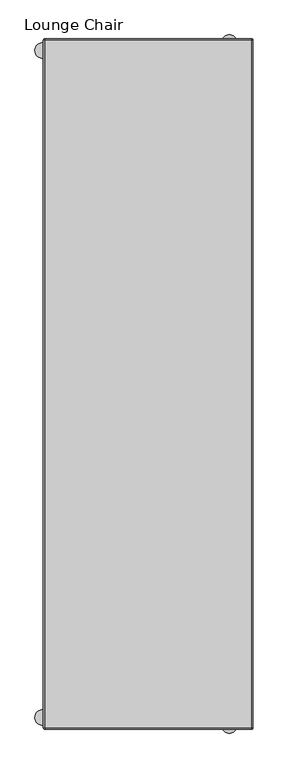
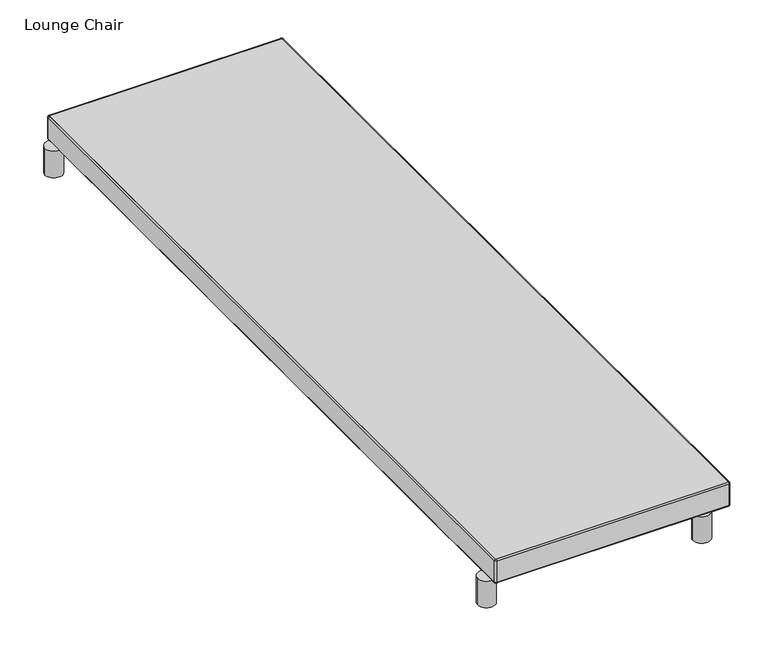
"""IFC4 building model written with IfcOpenShell, lengths in millimetres: furniture geometry, Lounge Chair."""

from ifc_helpers import new_model, si_unit, point, frame, frame_2d, origin, origin_with_axes, place, context, project, spatial, polyline, circle_curve, ellipse_curve, trimmed, segment, composite_curve, outline, extrude, source, transform, mapped, element, save
from ifc_brep_helpers import plane_surface, cylinder_surface, revolved_surface, advanced_brep


def lounge_chair_1dbbf9f6(model_context):
    return source(origin(), model_context, "Body", "SolidModel", [
        advanced_brep(
        [(381.6350121, -1120.6249637, 145.9935673), (381.6350121, -1120.6249637, 81.2235613), (381.6350121, 1120.6249637, 81.2235613), (381.6350121, 1120.6249637, 145.9935673), (376.5550121, 1125.7049637, 81.2235613), (376.5550121, 1125.7049637, 145.9935673), (-297.1800061, 1125.7049637, 81.2235613), (-297.1800061, 1125.7049637, 145.9935673), (-302.2600061, 1120.6249637, 81.2235613), (-302.2600061, 1120.6249637, 145.9935673), (-302.2600061, -1120.6249637, 81.2235613), (-302.2600061, -1120.6249637, 145.9935673), (-297.1800061, -1125.7049637, 81.2235613), (-297.1800061, -1125.7049637, 145.9935673), (376.5550121, -1125.7049637, 81.2235613), (376.5550121, -1125.7049637, 145.9935673), (376.5550121, -1125.0699879, 145.9935673), (376.5550121, -1125.0699879, 81.2235613), (-297.1800061, -1125.0699879, 81.2235613), (-297.1800061, -1125.0699879, 145.9935673), (-298.4500061, -1123.7999879, 81.2235613), (-298.4500061, -1123.7999879, 145.9935673), (-298.4500061, -1120.6249637, 81.2235613), (-298.4500061, -1120.6249637, 77.4135613), (-298.4500061, 1120.6249637, 77.4135613), (-298.4500061, 1120.6249637, 81.2235613), (-298.4500061, 1120.6249637, 145.9935673), (-298.4500061, 1120.6249637, 149.8035673), (-298.4500061, -1120.6249637, 149.8035673), (-298.4500061, -1120.6249637, 145.9935673), (-297.1800061, 1121.8949637, 81.2235613), (-297.1800061, 1121.8949637, 145.9935673), (-297.1800061, 1121.8949637, 77.4135613), (376.5550121, 1121.8949637, 77.4135613), (376.5550121, 1121.8949637, 81.2235613), (376.5550121, 1121.8949637, 145.9935673), (376.5550121, 1121.8949637, 149.8035673), (-297.1800061, 1121.8949637, 149.8035673), (377.8250121, 1120.6249637, 81.2235613), (377.8250121, 1120.6249637, 145.9935673), (377.8250121, 1120.6249637, 77.4135613), (377.8250121, -1120.6249637, 77.4135613), (377.8250121, -1120.6249637, 81.2235613), (377.8250121, -1123.7999879, 81.2235613), (377.8250121, -1123.7999879, 145.9935673), (377.8250121, -1120.6249637, 145.9935673), (377.8250121, -1120.6249637, 149.8035673), (377.8250121, 1120.6249637, 149.8035673), (-297.1800061, -1121.8949637, 149.8035673), (-297.1800061, -1121.8949637, 145.9935673), (-297.1800061, -1121.8949637, 81.2235613), (-297.1800061, -1121.8949637, 77.4135613), (376.5550121, -1121.8949637, 149.8035673), (376.5550121, -1121.8949637, 145.9935673), (376.5550121, -1121.8949637, 81.2235613), (376.5550121, -1121.8949637, 77.4135613)],
        [
            (0, 1),
            (1, 2),
            (2, 3),
            (3, 0),
            (2, 4, circle_curve(frame((376.5550121, 1120.6249637, 81.2235613), z_axis=(0.0, 0.0, 1.0), x_axis=(0.0, -1.0, 0.0)), 5.08)),
            (4, 5),
            (5, 3, circle_curve(frame((376.5550121, 1120.6249637, 145.9935673), z_axis=(0.0, 0.0, -1.0), x_axis=(0.0, -1.0, 0.0)), 5.08)),
            (4, 6),
            (6, 7),
            (7, 5),
            (6, 8, circle_curve(frame((-297.1800061, 1120.6249637, 81.2235613), z_axis=(0.0, 0.0, 1.0), x_axis=(0.0, -1.0, 0.0)), 5.08)),
            (8, 9),
            (9, 7, circle_curve(frame((-297.1800061, 1120.6249637, 145.9935673), z_axis=(0.0, 0.0, -1.0), x_axis=(0.0, -1.0, 0.0)), 5.08)),
            (8, 10),
            (10, 11),
            (11, 9),
            (10, 12, circle_curve(frame((-297.1800061, -1120.6249637, 81.2235613), z_axis=(0.0, 0.0, 1.0), x_axis=(0.0, -1.0, 0.0)), 5.08)),
            (12, 13),
            (13, 11, circle_curve(frame((-297.1800061, -1120.6249637, 145.9935673), z_axis=(0.0, 0.0, -1.0), x_axis=(0.0, -1.0, 0.0)), 5.08)),
            (12, 14),
            (14, 15),
            (15, 13),
            (0, 15, circle_curve(frame((376.5550121, -1120.6249637, 145.9935673), z_axis=(0.0, 0.0, -1.0), x_axis=(0.0, -1.0, 0.0)), 5.08)),
            (14, 1, circle_curve(frame((376.5550121, -1120.6249637, 81.2235613), z_axis=(0.0, 0.0, 1.0), x_axis=(0.0, -1.0, 0.0)), 5.08)),
            (16, 17),
            (17, 18),
            (18, 19),
            (19, 16),
            (18, 20, circle_curve(frame((-297.1800061, -1123.7999879, 81.2235613), z_axis=(0.0, 0.0, -1.0), x_axis=(0.0, -1.0, 0.0)), 1.27)),
            (20, 21),
            (21, 19, circle_curve(frame((-297.1800061, -1123.7999879, 145.9935673), z_axis=(0.0, 0.0, 1.0), x_axis=(0.0, -1.0, 0.0)), 1.27)),
            (20, 22),
            (22, 23),
            (23, 24),
            (24, 25),
            (25, 26),
            (26, 27),
            (27, 28),
            (28, 29),
            (29, 21),
            (25, 30, circle_curve(frame((-297.1800061, 1120.6249637, 81.2235613), z_axis=(0.0, 0.0, -1.0), x_axis=(0.0, -1.0, 0.0)), 1.27)),
            (30, 31),
            (31, 26, circle_curve(frame((-297.1800061, 1120.6249637, 145.9935673), z_axis=(0.0, 0.0, 1.0), x_axis=(0.0, -1.0, 0.0)), 1.27)),
            (30, 32),
            (32, 33),
            (33, 34),
            (34, 35),
            (35, 36),
            (36, 37),
            (37, 31),
            (34, 38, circle_curve(frame((376.5550121, 1120.6249637, 81.2235613), z_axis=(0.0, 0.0, -1.0), x_axis=(0.0, -1.0, 0.0)), 1.27)),
            (38, 39),
            (39, 35, circle_curve(frame((376.5550121, 1120.6249637, 145.9935673), z_axis=(0.0, 0.0, 1.0), x_axis=(0.0, -1.0, 0.0)), 1.27)),
            (38, 40),
            (40, 41),
            (41, 42),
            (42, 43),
            (43, 44),
            (44, 45),
            (45, 46),
            (46, 47),
            (47, 39),
            (16, 44, circle_curve(frame((376.5550121, -1123.7999879, 145.9935673), z_axis=(0.0, 0.0, 1.0), x_axis=(0.0, -1.0, 0.0)), 1.27)),
            (43, 17, circle_curve(frame((376.5550121, -1123.7999879, 81.2235613), z_axis=(0.0, 0.0, -1.0), x_axis=(0.0, -1.0, 0.0)), 1.27)),
            (46, 0, circle_curve(frame((377.8250121, -1120.6249637, 145.9935673), z_axis=(0.0, 1.0, 0.0), x_axis=(-1.0, 0.0, 0.0)), 3.81)),
            (3, 47, circle_curve(frame((377.8250121, 1120.6249637, 145.9935673), z_axis=(0.0, -1.0, 0.0), x_axis=(-1.0, 0.0, 0.0)), 3.81)),
            (40, 2, circle_curve(frame((377.8250121, 1120.6249637, 81.2235613), z_axis=(0.0, -1.0, 0.0), x_axis=(-1.0, 0.0, 0.0)), 3.81)),
            (1, 41, circle_curve(frame((377.8250121, -1120.6249637, 81.2235613), z_axis=(0.0, 1.0, 0.0), x_axis=(-1.0, 0.0, 0.0)), 3.81)),
            (36, 5, circle_curve(frame((376.5550121, 1121.8949637, 145.9935673), z_axis=(-1.0, 0.0, 0.0), x_axis=(0.0, -1.0, 0.0)), 3.81)),
            (7, 37, circle_curve(frame((-297.1800061, 1121.8949637, 145.9935673), z_axis=(1.0, 0.0, 0.0), x_axis=(0.0, -1.0, 0.0)), 3.81)),
            (32, 6, circle_curve(frame((-297.1800061, 1121.8949637, 81.2235613), z_axis=(1.0, 0.0, 0.0), x_axis=(0.0, -1.0, 0.0)), 3.81)),
            (4, 33, circle_curve(frame((376.5550121, 1121.8949637, 81.2235613), z_axis=(-1.0, 0.0, 0.0), x_axis=(0.0, -1.0, 0.0)), 3.81)),
            (27, 9, circle_curve(frame((-298.4500061, 1120.6249637, 145.9935673), z_axis=(0.0, -1.0, 0.0), x_axis=(1.0, 0.0, 0.0)), 3.81)),
            (11, 28, circle_curve(frame((-298.4500061, -1120.6249637, 145.9935673), z_axis=(0.0, 1.0, 0.0), x_axis=(1.0, 0.0, 0.0)), 3.81)),
            (23, 10, circle_curve(frame((-298.4500061, -1120.6249637, 81.2235613), z_axis=(0.0, 1.0, 0.0), x_axis=(1.0, 0.0, 0.0)), 3.81)),
            (8, 24, circle_curve(frame((-298.4500061, 1120.6249637, 81.2235613), z_axis=(0.0, -1.0, 0.0), x_axis=(1.0, 0.0, 0.0)), 3.81)),
            (36, 47, circle_curve(frame((376.5550121, 1120.6249637, 149.8035673), z_axis=(0.0, 0.0, -1.0), x_axis=(1.0, 0.0, 0.0)), 1.27)),
            (33, 40, circle_curve(frame((376.5550121, 1120.6249637, 77.4135613), z_axis=(0.0, 0.0, -1.0), x_axis=(1.0, 0.0, 0.0)), 1.27)),
            (27, 37, circle_curve(frame((-297.1800061, 1120.6249637, 149.8035673), z_axis=(0.0, 0.0, -1.0), x_axis=(0.0, 1.0, 0.0)), 1.27)),
            (24, 32, circle_curve(frame((-297.1800061, 1120.6249637, 77.4135613), z_axis=(0.0, 0.0, -1.0), x_axis=(0.0, 1.0, 0.0)), 1.27)),
            (13, 48, circle_curve(frame((-297.1800061, -1121.8949637, 145.9935673), z_axis=(-1.0, 0.0, 0.0), x_axis=(0.0, 1.0, 0.0)), 3.81)),
            (48, 28, circle_curve(frame((-297.1800061, -1120.6249637, 149.8035673), z_axis=(0.0, 0.0, -1.0), x_axis=(-1.0, 0.0, 0.0)), 1.27)),
            (48, 49),
            (49, 29, circle_curve(frame((-297.1800061, -1120.6249637, 145.9935673), z_axis=(0.0, 0.0, -1.0), x_axis=(-1.0, 0.0, 0.0)), 1.27)),
            (22, 50, circle_curve(frame((-297.1800061, -1120.6249637, 81.2235613), z_axis=(0.0, 0.0, 1.0), x_axis=(-1.0, 0.0, 0.0)), 1.27)),
            (50, 51),
            (51, 23, circle_curve(frame((-297.1800061, -1120.6249637, 77.4135613), z_axis=(0.0, 0.0, -1.0), x_axis=(-1.0, 0.0, 0.0)), 1.27)),
            (51, 12, circle_curve(frame((-297.1800061, -1121.8949637, 81.2235613), z_axis=(-1.0, 0.0, 0.0), x_axis=(0.0, 1.0, 0.0)), 3.81)),
            (15, 52, circle_curve(frame((376.5550121, -1121.8949637, 145.9935673), z_axis=(-1.0, 0.0, 0.0), x_axis=(0.0, 1.0, 0.0)), 3.81)),
            (52, 48),
            (52, 53),
            (53, 49),
            (50, 54),
            (54, 55),
            (55, 51),
            (55, 14, circle_curve(frame((376.5550121, -1121.8949637, 81.2235613), z_axis=(-1.0, 0.0, 0.0), x_axis=(0.0, 1.0, 0.0)), 3.81)),
            (53, 45, circle_curve(frame((376.5550121, -1120.6249637, 145.9935673), z_axis=(0.0, 0.0, 1.0), x_axis=(0.0, -1.0, 0.0)), 1.27)),
            (46, 52, circle_curve(frame((376.5550121, -1120.6249637, 149.8035673), z_axis=(0.0, 0.0, -1.0), x_axis=(0.0, -1.0, 0.0)), 1.27)),
            (41, 55, circle_curve(frame((376.5550121, -1120.6249637, 77.4135613), z_axis=(0.0, 0.0, -1.0), x_axis=(0.0, -1.0, 0.0)), 1.27)),
            (54, 42, circle_curve(frame((376.5550121, -1120.6249637, 81.2235613), z_axis=(0.0, 0.0, 1.0), x_axis=(0.0, -1.0, 0.0)), 1.27)),
        ],
        [
            plane_surface(frame((381.6350121, -1120.6249637, 145.9935673), z_axis=(1.0, 0.0, 0.0), x_axis=(0.0, 0.0, -1.0))),
            cylinder_surface(frame((376.5550121, 1120.6249637, 81.2235613), z_axis=(0.0, 0.0, 1.0), x_axis=(0.0, -1.0, 0.0)), 5.08),
            plane_surface(frame((376.5550121, 1125.7049637, 145.9935673), z_axis=(0.0, 1.0, 0.0), x_axis=(0.0, 0.0, -1.0))),
            cylinder_surface(frame((-297.1800061, 1120.6249637, 81.2235613), z_axis=(0.0, 0.0, 1.0), x_axis=(0.0, -1.0, 0.0)), 5.08),
            plane_surface(frame((-302.2600061, 1120.6249637, 145.9935673), z_axis=(-1.0, 0.0, 0.0), x_axis=(0.0, 0.0, -1.0))),
            cylinder_surface(frame((-297.1800061, -1120.6249637, 81.2235613), z_axis=(0.0, 0.0, 1.0), x_axis=(0.0, -1.0, 0.0)), 5.08),
            plane_surface(frame((-297.1800061, -1125.7049637, 145.9935673), z_axis=(0.0, -1.0, 0.0), x_axis=(0.0, 0.0, -1.0))),
            cylinder_surface(frame((376.5550121, -1120.6249637, 81.2235613), z_axis=(0.0, 0.0, 1.0), x_axis=(0.0, -1.0, 0.0)), 5.08),
            plane_surface(frame((376.5550121, -1125.0699879, 145.9935673), z_axis=(0.0, 1.0, 0.0), x_axis=(0.0, 0.0, -1.0))),
            revolved_surface(polyline([(-297.1800061, -1125.0699879, 81.2235613), (-297.1800061, -1125.0699879, 145.9935673)]), (-297.1800061, -1123.7999879, 81.2235613), (0.0, 0.0, -1.0)),
            plane_surface(frame((-298.4500061, -1123.7999879, 145.9935673), z_axis=(1.0, 0.0, 0.0), x_axis=(0.0, 0.0, -1.0))),
            revolved_surface(polyline([(-297.1800061, 1119.3549637, 81.2235613), (-297.1800061, 1119.3549637, 145.9935673)]), (-297.1800061, 1120.6249637, 81.2235613), (0.0, 0.0, -1.0)),
            plane_surface(frame((-297.1800061, 1121.8949637, 145.9935673), z_axis=(0.0, -1.0, 0.0), x_axis=(0.0, 0.0, -1.0))),
            revolved_surface(polyline([(376.5550121, 1119.3549637, 81.2235613), (376.5550121, 1119.3549637, 145.9935673)]), (376.5550121, 1120.6249637, 81.2235613), (0.0, 0.0, -1.0)),
            plane_surface(frame((377.8250121, 1120.6249637, 145.9935673), z_axis=(-1.0, 0.0, 0.0), x_axis=(0.0, 0.0, -1.0))),
            revolved_surface(polyline([(376.5550121, -1125.0699879, 81.2235613), (376.5550121, -1125.0699879, 145.9935673)]), (376.5550121, -1123.7999879, 81.2235613), (0.0, 0.0, -1.0)),
            cylinder_surface(frame((377.8250121, -1120.6249637, 145.9935673), z_axis=(0.0, -1.0, 0.0), x_axis=(-1.0, 0.0, 0.0)), 3.81),
            cylinder_surface(frame((377.8250121, -1120.6249637, 81.2235613), z_axis=(0.0, -1.0, 0.0), x_axis=(-1.0, 0.0, 0.0)), 3.81),
            cylinder_surface(frame((376.5550121, 1121.8949637, 145.9935673), z_axis=(1.0, 0.0, 0.0), x_axis=(0.0, -1.0, 0.0)), 3.81),
            cylinder_surface(frame((376.5550121, 1121.8949637, 81.2235613), z_axis=(1.0, 0.0, 0.0), x_axis=(0.0, -1.0, 0.0)), 3.81),
            cylinder_surface(frame((-298.4500061, 1120.6249637, 145.9935673), z_axis=(0.0, 1.0, 0.0), x_axis=(1.0, 0.0, 0.0)), 3.81),
            cylinder_surface(frame((-298.4500061, 1120.6249637, 81.2235613), z_axis=(0.0, 1.0, 0.0), x_axis=(1.0, 0.0, 0.0)), 3.81),
            revolved_surface(trimmed(ellipse_curve(frame((377.8250121, 1120.6249637, 145.9935673), z_axis=(0.0, -1.0, 0.0), x_axis=(-1.0, 0.0, 0.0)), 3.81, 3.81), [point((381.6350121, 1120.6249637, 145.9935673))], [point((377.8250121, 1120.6249637, 149.8035673))], True, "CARTESIAN"), (376.5550121, 1120.6249637, 148.5335673), (0.0, 0.0, 1.0)),
            revolved_surface(polyline([(377.8250121, 1120.6249637, 149.8035673), (377.8250121, 1120.6249637, 145.9935673)]), (376.5550121, 1120.6249637, 148.5335673), (0.0, 0.0, 1.0)),
            revolved_surface(polyline([(377.8250121, 1120.6249637, 81.2235613), (377.8250121, 1120.6249637, 77.4135613)]), (376.5550121, 1120.6249637, 148.5335673), (0.0, 0.0, 1.0)),
            revolved_surface(trimmed(ellipse_curve(frame((377.8250121, 1120.6249637, 81.2235613), z_axis=(0.0, -1.0, 0.0), x_axis=(-1.0, 0.0, 0.0)), 3.81, 3.81), [point((377.8250121, 1120.6249637, 77.4135613))], [point((381.6350121, 1120.6249637, 81.2235613))], True, "CARTESIAN"), (376.5550121, 1120.6249637, 148.5335673), (0.0, 0.0, 1.0)),
            revolved_surface(trimmed(ellipse_curve(frame((-297.1800061, 1121.8949637, 145.9935673), z_axis=(1.0, 0.0, 0.0), x_axis=(0.0, -1.0, 0.0)), 3.81, 3.81), [point((-297.1800061, 1125.7049637, 145.9935673))], [point((-297.1800061, 1121.8949637, 149.8035673))], True, "CARTESIAN"), (-297.1800061, 1120.6249637, 148.5335673), (0.0, 0.0, 1.0)),
            revolved_surface(polyline([(-297.1800061, 1121.8949637, 149.8035673), (-297.1800061, 1121.8949637, 145.9935673)]), (-297.1800061, 1120.6249637, 148.5335673), (0.0, 0.0, 1.0)),
            revolved_surface(polyline([(-297.1800061, 1121.8949637, 81.2235613), (-297.1800061, 1121.8949637, 77.4135613)]), (-297.1800061, 1120.6249637, 148.5335673), (0.0, 0.0, 1.0)),
            revolved_surface(trimmed(ellipse_curve(frame((-297.1800061, 1121.8949637, 81.2235613), z_axis=(1.0, 0.0, 0.0), x_axis=(0.0, -1.0, 0.0)), 3.81, 3.81), [point((-297.1800061, 1121.8949637, 77.4135613))], [point((-297.1800061, 1125.7049637, 81.2235613))], True, "CARTESIAN"), (-297.1800061, 1120.6249637, 148.5335673), (0.0, 0.0, 1.0)),
            revolved_surface(trimmed(ellipse_curve(frame((-298.4500061, -1120.6249637, 145.9935673), z_axis=(0.0, 1.0, 0.0), x_axis=(1.0, 0.0, 0.0)), 3.81, 3.81), [point((-302.2600061, -1120.6249637, 145.9935673))], [point((-298.4500061, -1120.6249637, 149.8035673))], True, "CARTESIAN"), (-297.1800061, -1120.6249637, 148.5335673), (0.0, 0.0, 1.0)),
            revolved_surface(polyline([(-298.4500061, -1120.6249637, 149.8035673), (-298.4500061, -1120.6249637, 145.9935673)]), (-297.1800061, -1120.6249637, 148.5335673), (0.0, 0.0, 1.0)),
            revolved_surface(polyline([(-298.4500061, -1120.6249637, 81.2235613), (-298.4500061, -1120.6249637, 77.4135613)]), (-297.1800061, -1120.6249637, 148.5335673), (0.0, 0.0, 1.0)),
            revolved_surface(trimmed(ellipse_curve(frame((-298.4500061, -1120.6249637, 81.2235613), z_axis=(0.0, 1.0, 0.0), x_axis=(1.0, 0.0, 0.0)), 3.81, 3.81), [point((-298.4500061, -1120.6249637, 77.4135613))], [point((-302.2600061, -1120.6249637, 81.2235613))], True, "CARTESIAN"), (-297.1800061, -1120.6249637, 148.5335673), (0.0, 0.0, 1.0)),
            cylinder_surface(frame((-297.1800061, -1121.8949637, 145.9935673), z_axis=(-1.0, 0.0, 0.0), x_axis=(0.0, 1.0, 0.0)), 3.81),
            plane_surface(frame((-297.1800061, -1121.8949637, 149.8035673), z_axis=(0.0, 1.0, 0.0), x_axis=(1.0, 0.0, 0.0))),
            plane_surface(frame((-297.1800061, -1121.8949637, 81.2235613), z_axis=(0.0, 1.0, 0.0), x_axis=(1.0, 0.0, 0.0))),
            cylinder_surface(frame((-297.1800061, -1121.8949637, 81.2235613), z_axis=(-1.0, 0.0, 0.0), x_axis=(0.0, 1.0, 0.0)), 3.81),
            plane_surface(frame((376.5550121, -1120.6249637, 145.9935673), z_axis=(0.0, 0.0, -1.0), x_axis=(0.0, -1.0, 0.0))),
            revolved_surface(trimmed(ellipse_curve(frame((376.5550121, -1121.8949637, 145.9935673), z_axis=(-1.0, 0.0, 0.0), x_axis=(0.0, 1.0, 0.0)), 3.81, 3.81), [point((376.5550121, -1125.7049637, 145.9935673))], [point((376.5550121, -1121.8949637, 149.8035673))], True, "CARTESIAN"), (376.5550121, -1120.6249637, 148.5335673), (0.0, 0.0, 1.0)),
            revolved_surface(polyline([(376.5550121, -1121.8949637, 149.8035673), (376.5550121, -1121.8949637, 145.9935673)]), (376.5550121, -1120.6249637, 148.5335673), (0.0, 0.0, 1.0)),
            revolved_surface(polyline([(376.5550121, -1121.8949637, 81.2235613), (376.5550121, -1121.8949637, 77.4135613)]), (376.5550121, -1120.6249637, 148.5335673), (0.0, 0.0, 1.0)),
            revolved_surface(trimmed(ellipse_curve(frame((376.5550121, -1121.8949637, 81.2235613), z_axis=(-1.0, 0.0, 0.0), x_axis=(0.0, 1.0, 0.0)), 3.81, 3.81), [point((376.5550121, -1121.8949637, 77.4135613))], [point((376.5550121, -1125.7049637, 81.2235613))], True, "CARTESIAN"), (376.5550121, -1120.6249637, 148.5335673), (0.0, 0.0, 1.0)),
            plane_surface(frame((376.5550121, -1120.6249637, 81.2235613), z_axis=(0.0, 0.0, 1.0), x_axis=(0.0, -1.0, 0.0))),
        ],
        [
            (0, [[1, 2, 3, 4]]),
            (1, [[-3, 5, 6, 7]]),
            (2, [[-6, 8, 9, 10]]),
            (3, [[-9, 11, 12, 13]]),
            (4, [[-12, 14, 15, 16]]),
            (5, [[-15, 17, 18, 19]]),
            (6, [[-18, 20, 21, 22]]),
            (7, [[-1, 23, -21, 24]]),
            (8, [[25, 26, 27, 28]]),
            (9, [[-27, 29, 30, 31]]),
            (10, [[-30, 32, 33, 34, 35, 36, 37, 38, 39, 40]]),
            (11, [[-36, 41, 42, 43]]),
            (12, [[-42, 44, 45, 46, 47, 48, 49, 50]]),
            (13, [[-47, 51, 52, 53]]),
            (14, [[-52, 54, 55, 56, 57, 58, 59, 60, 61, 62]]),
            (15, [[-25, 63, -58, 64]]),
            (16, [[65, -4, 66, -61]]),
            (17, [[-55, 67, -2, 68]]),
            (18, [[69, -10, 70, -49]]),
            (19, [[-45, 71, -8, 72]]),
            (20, [[73, -16, 74, -38]]),
            (21, [[-34, 75, -14, 76]]),
            (22, [[-66, -7, -69, 77]]),
            (23, [[-62, -77, -48, -53]]),
            (24, [[-54, -51, -46, 78]]),
            (25, [[-67, -78, -72, -5]]),
            (26, [[-70, -13, -73, 79]]),
            (27, [[-50, -79, -37, -43]]),
            (28, [[-44, -41, -35, 80]]),
            (29, [[-71, -80, -76, -11]]),
            (30, [[-74, -19, 81, 82]]),
            (31, [[-39, -82, 83, 84]]),
            (32, [[-33, 85, 86, 87]]),
            (33, [[-75, -87, 88, -17]]),
            (34, [[-81, -22, 89, 90]]),
            (35, [[-83, -90, 91, 92]]),
            (36, [[-86, 93, 94, 95]]),
            (37, [[-88, -95, 96, -20]]),
            (38, [[-84, -92, 97, -59, -63, -28, -31, -40]]),
            (39, [[-65, 98, -89, -23]]),
            (40, [[-60, -97, -91, -98]]),
            (41, [[-56, 99, -94, 100]]),
            (42, [[-68, -24, -96, -99]]),
            (43, [[-85, -32, -29, -26, -64, -57, -100, -93]]),
        ],
    ),
        extrude(outline(composite_curve([segment(polyline([(-297.1800061, 1121.8949637), (376.5550121, 1121.8949637)]), True, "CONTINUOUS"), segment(trimmed(circle_curve(frame_2d((376.5550121, 1120.6249637)), 1.27), [point((376.5550121, 1121.8949637))], [point((377.8250121, 1120.6249637))], False, "CARTESIAN"), True, "CONTINUOUS"), segment(polyline([(377.8250121, 1120.6249637), (377.8250121, -1120.6249637)]), True, "CONTINUOUS"), segment(trimmed(circle_curve(frame_2d((376.5550121, -1120.6249637)), 1.27), [point((377.8250121, -1120.6249637))], [point((376.5550121, -1121.8949637))], False, "CARTESIAN"), True, "CONTINUOUS"), segment(polyline([(376.5550121, -1121.8949637), (-297.1800061, -1121.8949637)]), True, "CONTINUOUS"), segment(trimmed(circle_curve(frame_2d((-297.1800061, -1120.6249637)), 1.27), [point((-297.1800061, -1121.8949637))], [point((-298.4500061, -1120.6249637))], False, "CARTESIAN"), True, "CONTINUOUS"), segment(polyline([(-298.4500061, -1120.6249637), (-298.4500061, 1120.6249637)]), True, "CONTINUOUS"), segment(trimmed(circle_curve(frame_2d((-297.1800061, 1120.6249637)), 1.27), [point((-298.4500061, 1120.6249637))], [point((-297.1800061, 1121.8949637))], False, "CARTESIAN"), True, "CONTINUOUS")], self_intersect=False)), frame((0.0, 0.0, 77.4135613), z_axis=(0.0, 0.0, 1.0), x_axis=(1.0, 0.0, 0.0)), (0.0, 0.0, 1.0), 72.3900061),
        extrude(outline(composite_curve([segment(trimmed(circle_curve(frame_2d((-304.7999981, 1086.9699663)), 25.4), [point((-330.1999981, 1086.9699663))], [point((-279.3999981, 1086.9699663))], False, "CARTESIAN"), True, "CONTINUOUS"), segment(trimmed(circle_curve(frame_2d((-304.7999981, 1086.9699663)), 25.4), [point((-279.3999981, 1086.9699663))], [point((-330.1999981, 1086.9699663))], False, "CARTESIAN"), True, "CONTINUOUS")], self_intersect=False)), origin_with_axes(), (0.0, 0.0, 1.0), 81.2235613),
        extrude(outline(composite_curve([segment(trimmed(circle_curve(frame_2d((304.8000061, 1112.3699637)), 25.4), [point((279.4000061, 1112.3699637))], [point((330.2000061, 1112.3699637))], False, "CARTESIAN"), True, "CONTINUOUS"), segment(trimmed(circle_curve(frame_2d((304.8000061, 1112.3699637)), 25.4), [point((330.2000061, 1112.3699637))], [point((279.4000061, 1112.3699637))], False, "CARTESIAN"), True, "CONTINUOUS")], self_intersect=False)), origin_with_axes(), (0.0, 0.0, 1.0), 81.2235613),
        extrude(outline(composite_curve([segment(trimmed(circle_curve(frame_2d((-304.8000121, -1086.9699879)), 25.4), [point((-330.2000121, -1086.9699879))], [point((-279.4000121, -1086.9699879))], False, "CARTESIAN"), True, "CONTINUOUS"), segment(trimmed(circle_curve(frame_2d((-304.8000121, -1086.9699879)), 25.4), [point((-279.4000121, -1086.9699879))], [point((-330.2000121, -1086.9699879))], False, "CARTESIAN"), True, "CONTINUOUS")], self_intersect=False)), origin_with_axes(), (0.0, 0.0, 1.0), 81.2235613),
        extrude(outline(composite_curve([segment(trimmed(circle_curve(frame_2d((304.8000061, -1112.3699637)), 25.4), [point((279.4000061, -1112.3699637))], [point((330.2000061, -1112.3699637))], False, "CARTESIAN"), True, "CONTINUOUS"), segment(trimmed(circle_curve(frame_2d((304.8000061, -1112.3699637)), 25.4), [point((330.2000061, -1112.3699637))], [point((279.4000061, -1112.3699637))], False, "CARTESIAN"), True, "CONTINUOUS")], self_intersect=False)), origin_with_axes(), (0.0, 0.0, 1.0), 81.2235613),
    ])


if __name__ == "__main__":
    model = new_model("IFC4")
    model_context = context("Model", 3, world=origin())
    ifc_project = project(units=[si_unit("LENGTHUNIT", "METRE", prefix="MILLI")], contexts=[model_context])
    site = spatial("IfcSite", under=ifc_project)
    building = spatial("IfcBuilding", under=site)
    placement = place(None, origin())
    lounge_chair_shape = lounge_chair_1dbbf9f6(model_context)
    element("IfcFurniture", 1, ObjectType="Lounge Chair", at=placement, inside=building, context=model_context, shape_type="MappedRepresentation", body=[
        mapped(lounge_chair_shape, transform((0.0, 0.0, 0.0), x_axis=(1.0, 0.0, 0.0), y_axis=(0.0, 1.0, 0.0), z_axis=(0.0, 0.0, 1.0))),
    ])
    save(model, "model.ifc")
